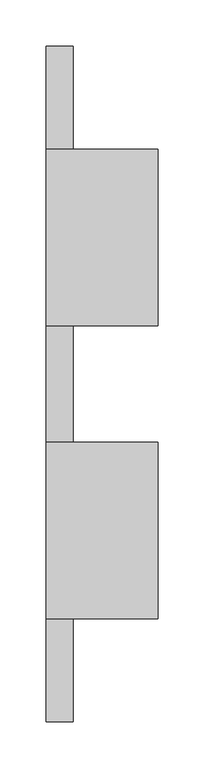
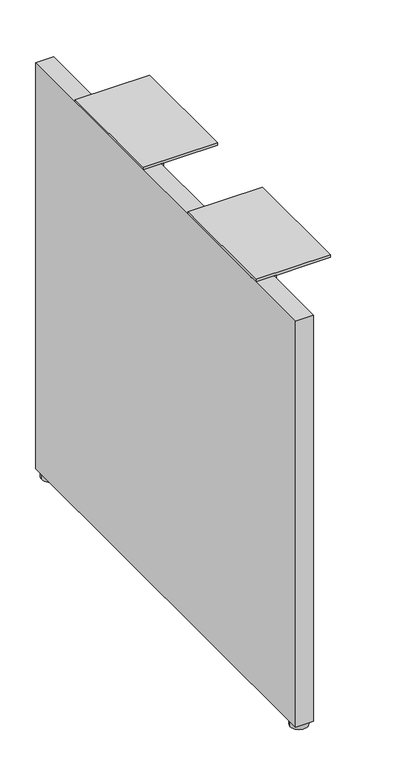
"""IFC4 building model written with IfcOpenShell, lengths in millimetres: furniture geometry."""

import ifcopenshell
import ifcopenshell.guid

model = None  # the IFC model being written
_history = None  # IfcOwnerHistory: only IFC2X3 demands one
_inside = {}  # id of a spatial element -> (the spatial element, [elements in it])
_under = {}  # id of a project, library or spatial element -> (it, [spatial elements below it])
_declared = {}  # id of a project -> (the project, [libraries it declares])
_typed = {}  # id of a type object -> (the type object, [elements of that type])
_made_of = {}  # id of a material, layer set ... -> (it, [elements and type objects made of it])


def new_model(schema):
    """Start an empty IFC model of exactly this schema.

    Asked for "IFC4X3", IfcOpenShell would pick the latest addendum, in which some entities
    have other attributes; the version numbers below select the first issue.
    IFC2X3 requires an IfcOwnerHistory on every rooted entity: one is made here for all.
    """
    global model, _history
    if schema == "IFC4X3":
        model = ifcopenshell.file(schema_version=(4, 3, 0, 0))
    else:
        model = ifcopenshell.file(schema=schema)
    _inside.clear()
    _under.clear()
    _declared.clear()
    _typed.clear()
    _made_of.clear()
    _history = None
    if model.schema == "IFC2X3":
        org = make("IfcOrganization", Name="unknown")
        user = make(
            "IfcPersonAndOrganization",
            ThePerson=make("IfcPerson", FamilyName="unknown"),
            TheOrganization=org,
        )
        app = make(
            "IfcApplication",
            ApplicationDeveloper=org,
            Version="unknown",
            ApplicationFullName="unknown",
            ApplicationIdentifier="unknown",
        )
        _history = make(
            "IfcOwnerHistory",
            OwningUser=user,
            OwningApplication=app,
            ChangeAction="ADDED",
            CreationDate=0,
        )
    return model


def make(cls, **values):
    """One entity of the class cls with the attributes given. An attribute that is None is left unset."""
    return model.create_entity(
        cls, **{name: value for name, value in values.items() if value is not None}
    )


def rooted(cls, **values):
    """An entity with a GlobalId (a new one), such as an element, a storey or a relation."""
    return make(cls, GlobalId=ifcopenshell.guid.new(), OwnerHistory=_history, **values)


def si_unit(unit_type, name, prefix=None):
    """IfcSIUnit, for example si_unit("LENGTHUNIT", "METRE", prefix="MILLI")."""
    return make("IfcSIUnit", UnitType=unit_type, Prefix=prefix, Name=name)


def assignment(units):
    """IfcUnitAssignment: the units of a project."""
    return None if units is None else make("IfcUnitAssignment", Units=units)


def point(xyz):
    """IfcCartesianPoint."""
    return None if xyz is None else make("IfcCartesianPoint", Coordinates=xyz)


def direction(xyz):
    """IfcDirection."""
    return None if xyz is None else make("IfcDirection", DirectionRatios=xyz)


def frame(location, z_axis=None, x_axis=None):
    """IfcAxis2Placement3D, a coordinate frame: its origin and axes. An axis left out is left unset."""
    return make(
        "IfcAxis2Placement3D",
        Location=point(location),
        Axis=direction(z_axis),
        RefDirection=direction(x_axis),
    )


def origin():
    """The frame at (0, 0, 0) with its axes left unset."""
    return frame((0.0, 0.0, 0.0))


def place(relative_to, where):
    """IfcLocalPlacement: puts the frame where relative to a parent placement (None: the world)."""
    return make(
        "IfcLocalPlacement", PlacementRelTo=relative_to, RelativePlacement=where
    )


def context(
    kind, dimensions, precision=None, world=None, true_north=None, identifier=None
):
    """IfcGeometricRepresentationContext, for example the 3D "Model" context."""
    return make(
        "IfcGeometricRepresentationContext",
        ContextIdentifier=identifier,
        ContextType=kind,
        CoordinateSpaceDimension=dimensions,
        Precision=precision,
        WorldCoordinateSystem=world,
        TrueNorth=true_north,
    )


def project(units=None, contexts=None):
    """IfcProject with its units and contexts."""
    return rooted(
        "IfcProject",
        Name="project",
        RepresentationContexts=contexts,
        UnitsInContext=assignment(units),
    )


def spatial(cls, under=None, at=None, **own):
    """A site, building, storey or space (cls), placed at a placement, below another one or the project."""
    s = rooted(cls, ObjectPlacement=at, **own)
    if under is not None:
        _under.setdefault(under.id(), (under, []))[1].append(s)
    return s


def polyline(points):
    """IfcPolyline through the points."""
    return make("IfcPolyline", Points=[point(p) for p in points])


def circle_curve(where, radius):
    """IfcCircle in the frame where."""
    return make("IfcCircle", Position=where, Radius=radius)


def outline(outer, holes=None, kind="AREA"):
    """IfcArbitraryClosedProfileDef: a profile drawn as a closed curve; with holes, ...WithVoids."""
    if holes is None:
        return make("IfcArbitraryClosedProfileDef", ProfileType=kind, OuterCurve=outer)
    return make(
        "IfcArbitraryProfileDefWithVoids",
        ProfileType=kind,
        OuterCurve=outer,
        InnerCurves=holes,
    )


def extrude(swept, where, along, depth):
    """IfcExtrudedAreaSolid: the profile swept, set in the frame where, extruded along a direction by depth."""
    return make(
        "IfcExtrudedAreaSolid",
        SweptArea=swept,
        Position=where,
        ExtrudedDirection=direction(along),
        Depth=depth,
    )


def shape(context_of_items, identifier, shape_type, items):
    """IfcShapeRepresentation: the items that make up one representation, for example the "Body"."""
    return make(
        "IfcShapeRepresentation",
        ContextOfItems=context_of_items,
        RepresentationIdentifier=identifier,
        RepresentationType=shape_type,
        Items=items,
    )


def source(mapping_origin, context_of_items, identifier, shape_type, items):
    """IfcRepresentationMap: a shape defined once, which mapped items show again and again."""
    return make(
        "IfcRepresentationMap",
        MappingOrigin=mapping_origin,
        MappedRepresentation=shape(context_of_items, identifier, shape_type, items),
    )


def transform(
    local_origin,
    x_axis=None,
    y_axis=None,
    z_axis=None,
    scale=None,
    scale2=None,
    scale3=None,
    uniform=True,
):
    """IfcCartesianTransformationOperator3D, or its non-uniform kind. x_axis, y_axis, z_axis: its Axis1, 2, 3."""
    if uniform:
        return make(
            "IfcCartesianTransformationOperator3D",
            Axis1=direction(x_axis),
            Axis2=direction(y_axis),
            LocalOrigin=point(local_origin),
            Scale=scale,
            Axis3=direction(z_axis),
        )
    return make(
        "IfcCartesianTransformationOperator3DnonUniform",
        Axis1=direction(x_axis),
        Axis2=direction(y_axis),
        LocalOrigin=point(local_origin),
        Scale=scale,
        Axis3=direction(z_axis),
        Scale2=scale2,
        Scale3=scale3,
    )


def mapped(mapping_source, mapping_target):
    """IfcMappedItem: shows the shape of a source again, moved by a transform."""
    return make(
        "IfcMappedItem", MappingSource=mapping_source, MappingTarget=mapping_target
    )


def made_of(thing, what):
    """Note that an element or type object is made of a material, layer set ...; save() writes the relation."""
    if what is not None:
        _made_of.setdefault(what.id(), (what, []))[1].append(thing)
    return thing


def element(
    cls,
    number,
    at=None,
    inside=None,
    cuts=None,
    type_object=None,
    material=None,
    context=None,
    identifier="Body",
    shape_type=None,
    held_by="IfcProductDefinitionShape",
    body=None,
    shapes=None,
    **own,
):
    """One element of the class cls, such as IfcWall. Its Tag is "e" and its number.

    at: its placement. inside: the storey or other place that contains it. cuts: it is an
    opening in that element (IfcRelVoidsElement). A single representation is given by context,
    identifier, shape_type and body (its items); several are given by shapes. held_by: the class
    of the entity that holds the representations. save() writes the other relations.
    """
    e = rooted(cls, Tag="e%d" % number, ObjectPlacement=at, **own)
    if body is not None:
        shapes = [shape(context, identifier, shape_type, body)]
    if shapes is not None:
        e.Representation = make(held_by, Representations=shapes)
    if inside is not None:
        _inside.setdefault(inside.id(), (inside, []))[1].append(e)
    if cuts is not None:
        rooted(
            "IfcRelVoidsElement", RelatingBuildingElement=cuts, RelatedOpeningElement=e
        )
    if type_object is not None:
        _typed.setdefault(type_object.id(), (type_object, []))[1].append(e)
    return made_of(e, material)


def aggregate(whole, parts):
    """IfcRelAggregates: a whole, such as a stair, and the parts it consists of."""
    return rooted("IfcRelAggregates", RelatingObject=whole, RelatedObjects=parts)


def save(model, path):
    """Write the relations noted so far, then the file.

    IfcRelAggregates (storeys below a building ...), IfcRelContainedInSpatialStructure (elements
    in a storey), IfcRelDefinesByType, IfcRelAssociatesMaterial and IfcRelDeclares: one each for
    every whole, place, type object, material and project.
    """
    for whole, parts in _under.values():
        aggregate(whole, parts)
    for where, things in _inside.values():
        rooted(
            "IfcRelContainedInSpatialStructure",
            RelatedElements=things,
            RelatingStructure=where,
        )
    for kind, things in _typed.values():
        rooted("IfcRelDefinesByType", RelatedObjects=things, RelatingType=kind)
    for what, things in _made_of.values():
        rooted("IfcRelAssociatesMaterial", RelatedObjects=things, RelatingMaterial=what)
    for by, libraries in _declared.values():
        rooted("IfcRelDeclares", RelatingContext=by, RelatedDefinitions=libraries)
    model.write(path)


def plane_surface(at):
    """IfcPlane: the flat surface through the origin of the frame at, square to its z axis."""
    return make("IfcPlane", Position=at)


def cylinder_surface(at, radius):
    """IfcCylindricalSurface: all points at the distance radius from the z axis of the frame at."""
    return make("IfcCylindricalSurface", Position=at, Radius=radius)


def advanced_brep(points, edges, surfaces, faces):
    """IfcAdvancedBrep: a solid bounded by faces that lie on surfaces and meet in shared edges.

    An edge is (start, end): straight between two places in points (the first is 0);
    or (start, end, curve); or (start, end, curve, False) where it runs against its curve.
    A face is (place in surfaces, loops), or (place, loops, False) where it looks against
    its surface's normal. A loop lists edges by number (the first is 1), with a minus sign
    where the edge is run from its end to its start. The first loop is the outer one.
    """
    corners = [point(p) for p in points]
    vertices = [make("IfcVertexPoint", VertexGeometry=c) for c in corners]
    made = []
    for start, end, *more in edges:
        made.append(
            make(
                "IfcEdgeCurve",
                EdgeStart=vertices[start],
                EdgeEnd=vertices[end],
                EdgeGeometry=more[0] if more else make("IfcPolyline", Points=[corners[start], corners[end]]),
                SameSense=more[1] if len(more) > 1 else True,
            )
        )
    hull = []
    for where, loops, *sense in faces:
        bounds = []
        for j, loop in enumerate(loops):
            ring = [make("IfcOrientedEdge", EdgeElement=made[abs(k) - 1], Orientation=k > 0) for k in loop]
            bounds.append(
                make(
                    "IfcFaceOuterBound" if j == 0 else "IfcFaceBound",
                    Bound=make("IfcEdgeLoop", EdgeList=ring),
                    Orientation=True,
                )
            )
        hull.append(make("IfcAdvancedFace", Bounds=bounds, FaceSurface=surfaces[where], SameSense=sense[0] if sense else True))
    return make("IfcAdvancedBrep", Outer=make("IfcClosedShell", CfsFaces=hull))


def furniture_8471a496(model_context):
    return source(origin(), model_context, "Body", "SolidModel", [
        extrude(outline(polyline([(-355.4341599, 658.2156222), (-355.4341599, 702.6656222), (-164.9341599, 702.6656222), (-164.9341599, 658.2156222), (-191.9216599, 631.2281222), (-328.4466599, 631.2281222), (-355.4341599, 658.2156222)])), frame((-733.144401, 0.0, 0.0), z_axis=(1.0, 0.0, 0.0), x_axis=(0.0, 1.0, 0.0)), (0.0, 0.0, 1.0), 4.318),
        extrude(outline(polyline([(-39.1609799, 702.6656222), (151.3390201, 702.6656222), (151.3390201, 658.2156222), (124.3515201, 631.2281222), (-12.1734799, 631.2281222), (-39.1609799, 658.2156222), (-39.1609799, 702.6656222)])), frame((-733.144401, 0.0, 0.0), z_axis=(1.0, 0.0, 0.0), x_axis=(0.0, 1.0, 0.0)), (0.0, 0.0, 1.0), 4.318),
        extrude(outline(polyline([(-761.998801, -466.5591599), (-761.998801, 262.4640201), (-732.788801, 262.4640201), (-732.788801, -466.5591599), (-761.998801, -466.5591599)])), frame((0.0, 0.0, 8.6614), z_axis=(0.0, 0.0, 1.0), x_axis=(1.0, 0.0, 0.0)), (0.0, 0.0, 1.0), 694.0042222),
        advanced_brep(
        [(-733.106301, 246.5890201, 0.0), (-761.681301, 246.5890201, 0.0), (-747.393801, 246.5890201, 0.0), (-733.106301, 246.5890201, 7.874), (-761.681301, 246.5890201, 7.874), (-742.631301, 246.5890201, 7.874), (-752.156301, 246.5890201, 7.874), (-742.631301, 246.5890201, 8.6614), (-752.156301, 246.5890201, 8.6614), (-747.393801, 246.5890201, 8.6614)],
        [
            (0, 1, circle_curve(frame((-747.393801, 246.5890201, 0.0), z_axis=(0.0, 0.0, -1.0), x_axis=(-1.0, 0.0, 0.0)), 14.2875)),
            (1, 2),
            (2, 0),
            (1, 0, circle_curve(frame((-747.393801, 246.5890201, 0.0), z_axis=(0.0, 0.0, -1.0), x_axis=(-1.0, 0.0, 0.0)), 14.2875)),
            (3, 4, circle_curve(frame((-747.393801, 246.5890201, 7.874), z_axis=(0.0, 0.0, -1.0), x_axis=(-1.0, 0.0, 0.0)), 14.2875)),
            (4, 1),
            (0, 3),
            (4, 3, circle_curve(frame((-747.393801, 246.5890201, 7.874), z_axis=(0.0, 0.0, -1.0), x_axis=(-1.0, 0.0, 0.0)), 14.2875)),
            (5, 6, circle_curve(frame((-747.393801, 246.5890201, 7.874), z_axis=(0.0, 0.0, -1.0), x_axis=(-1.0, 0.0, 0.0)), 4.7625)),
            (6, 4),
            (3, 5),
            (6, 5, circle_curve(frame((-747.393801, 246.5890201, 7.874), z_axis=(0.0, 0.0, -1.0), x_axis=(-1.0, 0.0, 0.0)), 4.7625)),
            (7, 8, circle_curve(frame((-747.393801, 246.5890201, 8.6614), z_axis=(0.0, 0.0, -1.0), x_axis=(-1.0, 0.0, 0.0)), 4.7625)),
            (8, 6),
            (5, 7),
            (8, 7, circle_curve(frame((-747.393801, 246.5890201, 8.6614), z_axis=(0.0, 0.0, -1.0), x_axis=(-1.0, 0.0, 0.0)), 4.7625)),
            (9, 8),
            (7, 9),
        ],
        [
            plane_surface(frame((-747.393801, 246.5890201, 0.0), z_axis=(0.0, 0.0, -1.0), x_axis=(-1.0, 0.0, 0.0))),
            cylinder_surface(frame((-747.393801, 246.5890201, -2.6032322), z_axis=(0.0, 0.0, 1.0), x_axis=(-1.0, 0.0, 0.0)), 14.2875),
            plane_surface(frame((-747.393801, 246.5890201, 7.874), z_axis=(0.0, 0.0, 1.0), x_axis=(-1.0, 0.0, 0.0))),
            cylinder_surface(frame((-747.393801, 246.5890201, -2.6032322), z_axis=(0.0, 0.0, 1.0), x_axis=(-1.0, 0.0, 0.0)), 4.7625),
            plane_surface(frame((-747.393801, 246.5890201, 8.6614), z_axis=(0.0, 0.0, 1.0), x_axis=(-1.0, 0.0, 0.0))),
        ],
        [
            (0, [[1, 2, 3]]),
            (0, [[4, -3, -2]]),
            (1, [[5, 6, -1, 7]]),
            (1, [[8, -7, -4, -6]]),
            (2, [[9, 10, -5, 11]]),
            (2, [[12, -11, -8, -10]]),
            (3, [[13, 14, -9, 15]]),
            (3, [[16, -15, -12, -14]]),
            (4, [[17, -13, 18]]),
            (4, [[-18, -16, -17]]),
        ],
    ),
        extrude(outline(polyline([(-641.348801, -164.9341599), (-641.348801, -355.4341599), (-761.998801, -355.4341599), (-761.998801, -164.9341599), (-641.348801, -164.9341599)])), frame((0.0, 0.0, 702.6656222), z_axis=(0.0, 0.0, 1.0), x_axis=(1.0, 0.0, 0.0)), (0.0, 0.0, 1.0), 4.3434),
        extrude(outline(polyline([(-641.348801, 151.3390201), (-641.348801, -39.1609799), (-761.998801, -39.1609799), (-761.998801, 151.3390201), (-641.348801, 151.3390201)])), frame((0.0, 0.0, 702.6656222), z_axis=(0.0, 0.0, 1.0), x_axis=(1.0, 0.0, 0.0)), (0.0, 0.0, 1.0), 4.3434),
        advanced_brep(
        [(-733.106301, -450.6841599, 0.0), (-761.681301, -450.6841599, 0.0), (-747.393801, -450.6841599, 0.0), (-733.106301, -450.6841599, 7.874), (-761.681301, -450.6841599, 7.874), (-742.631301, -450.6841599, 7.874), (-752.156301, -450.6841599, 7.874), (-742.631301, -450.6841599, 8.6614), (-752.156301, -450.6841599, 8.6614), (-747.393801, -450.6841599, 8.6614)],
        [
            (0, 1, circle_curve(frame((-747.393801, -450.6841599, 0.0), z_axis=(0.0, 0.0, -1.0), x_axis=(-1.0, 0.0, 0.0)), 14.2875)),
            (1, 2),
            (2, 0),
            (1, 0, circle_curve(frame((-747.393801, -450.6841599, 0.0), z_axis=(0.0, 0.0, -1.0), x_axis=(-1.0, 0.0, 0.0)), 14.2875)),
            (3, 4, circle_curve(frame((-747.393801, -450.6841599, 7.874), z_axis=(0.0, 0.0, -1.0), x_axis=(-1.0, 0.0, 0.0)), 14.2875)),
            (4, 1),
            (0, 3),
            (4, 3, circle_curve(frame((-747.393801, -450.6841599, 7.874), z_axis=(0.0, 0.0, -1.0), x_axis=(-1.0, 0.0, 0.0)), 14.2875)),
            (5, 6, circle_curve(frame((-747.393801, -450.6841599, 7.874), z_axis=(0.0, 0.0, -1.0), x_axis=(-1.0, 0.0, 0.0)), 4.7625)),
            (6, 4),
            (3, 5),
            (6, 5, circle_curve(frame((-747.393801, -450.6841599, 7.874), z_axis=(0.0, 0.0, -1.0), x_axis=(-1.0, 0.0, 0.0)), 4.7625)),
            (7, 8, circle_curve(frame((-747.393801, -450.6841599, 8.6614), z_axis=(0.0, 0.0, -1.0), x_axis=(-1.0, 0.0, 0.0)), 4.7625)),
            (8, 6),
            (5, 7),
            (8, 7, circle_curve(frame((-747.393801, -450.6841599, 8.6614), z_axis=(0.0, 0.0, -1.0), x_axis=(-1.0, 0.0, 0.0)), 4.7625)),
            (9, 8),
            (7, 9),
        ],
        [
            plane_surface(frame((-747.393801, -450.6841599, 0.0), z_axis=(0.0, 0.0, -1.0), x_axis=(-1.0, 0.0, 0.0))),
            cylinder_surface(frame((-747.393801, -450.6841599, -2.6032322), z_axis=(0.0, 0.0, 1.0), x_axis=(-1.0, 0.0, 0.0)), 14.2875),
            plane_surface(frame((-747.393801, -450.6841599, 7.874), z_axis=(0.0, 0.0, 1.0), x_axis=(-1.0, 0.0, 0.0))),
            cylinder_surface(frame((-747.393801, -450.6841599, -2.6032322), z_axis=(0.0, 0.0, 1.0), x_axis=(-1.0, 0.0, 0.0)), 4.7625),
            plane_surface(frame((-747.393801, -450.6841599, 8.6614), z_axis=(0.0, 0.0, 1.0), x_axis=(-1.0, 0.0, 0.0))),
        ],
        [
            (0, [[1, 2, 3]]),
            (0, [[4, -3, -2]]),
            (1, [[5, 6, -1, 7]]),
            (1, [[8, -7, -4, -6]]),
            (2, [[9, 10, -5, 11]]),
            (2, [[12, -11, -8, -10]]),
            (3, [[13, 14, -9, 15]]),
            (3, [[16, -15, -12, -14]]),
            (4, [[17, -13, 18]]),
            (4, [[-18, -16, -17]]),
        ],
    ),
    ])


if __name__ == "__main__":
    model = new_model("IFC4")
    model_context = context("Model", 3, world=origin())
    ifc_project = project(units=[si_unit("LENGTHUNIT", "METRE", prefix="MILLI")], contexts=[model_context])
    site = spatial("IfcSite", under=ifc_project)
    building = spatial("IfcBuilding", under=site)
    placement = place(None, origin())
    furniture_shape = furniture_8471a496(model_context)
    element("IfcFurniture", 1, at=placement, inside=building, context=model_context, shape_type="MappedRepresentation", body=[
        mapped(furniture_shape, transform((0.0, 0.0, 0.0), x_axis=(1.0, 0.0, 0.0), y_axis=(0.0, 1.0, 0.0), z_axis=(0.0, 0.0, 1.0))),
    ])
    save(model, "model.ifc")
